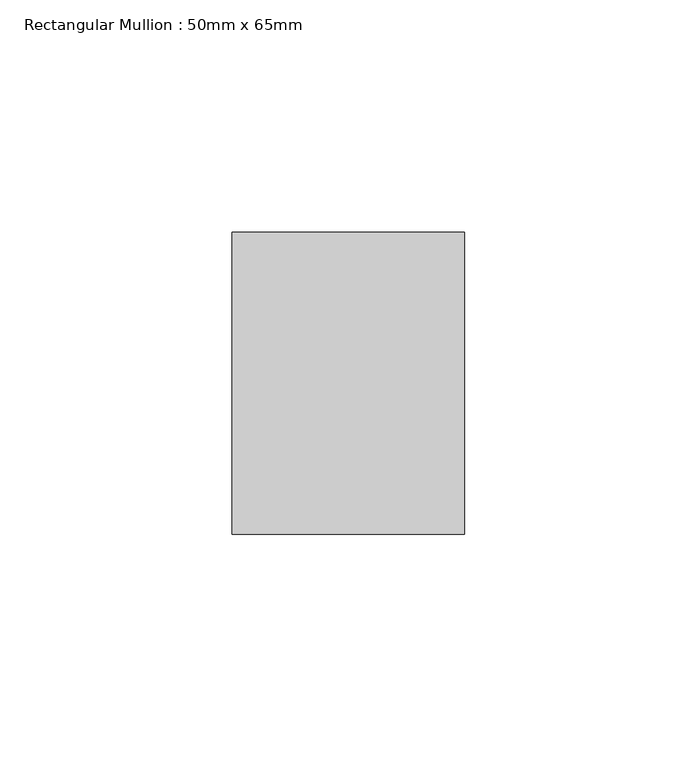
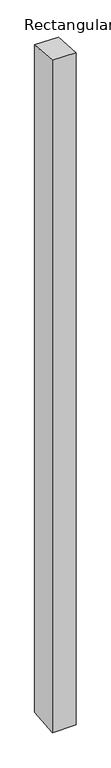
"""IFC4 building model written with IfcOpenShell, lengths in millimetres: member geometry, Rectangular Mullion : 50mm x 65mm."""

from ifc_helpers import new_model, si_unit, origin, place, context, project, spatial, faceted_brep, source, transform, mapped, element, save


def rectangular_mullion_50mm_x_65mm_f2d1095a(model_context):
    return source(origin(), model_context, "Body", "Brep", [
        faceted_brep([(-25.0, 32.5, -2.4319471), (25.0, 32.5, -2.4319525), (25.0, 32.5, -1497.0089661), (-25.0, 32.5, -1497.0089728), (-25.0, -32.5, 2.4319525), (-25.0, -32.5, -1502.9912862), (25.0, -32.5, 2.4319471), (25.0, -32.5, -1502.9912795)], [[[0, 1, 2, 3]], [[4, 0, 3, 5]], [[6, 4, 5, 7]], [[1, 6, 7, 2]], [[1, 0, 4, 6]], [[2, 7, 5, 3]]]),
    ])


if __name__ == "__main__":
    model = new_model("IFC4")
    model_context = context("Model", 3, world=origin())
    ifc_project = project(units=[si_unit("LENGTHUNIT", "METRE", prefix="MILLI")], contexts=[model_context])
    site = spatial("IfcSite", under=ifc_project)
    building = spatial("IfcBuilding", under=site)
    placement = place(None, origin())
    rectangular_mullion_50mm_x_65mm_shape = rectangular_mullion_50mm_x_65mm_f2d1095a(model_context)
    element("IfcMember", 1, ObjectType="Rectangular Mullion : 50mm x 65mm", at=placement, inside=building, context=model_context, shape_type="MappedRepresentation", body=[
        mapped(rectangular_mullion_50mm_x_65mm_shape, transform((0.0, 0.0, 0.0), x_axis=(1.0, 0.0, 0.0), y_axis=(0.0, 1.0, 0.0), z_axis=(0.0, 0.0, 1.0))),
    ])
    save(model, "model.ifc")
